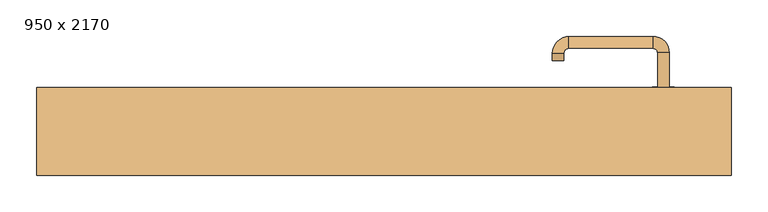
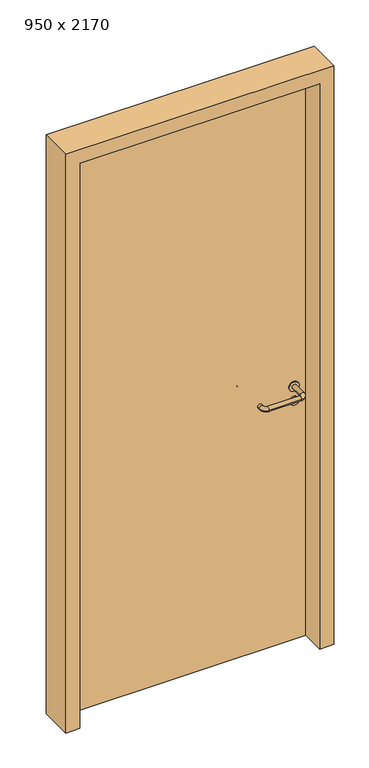
"""IFC4 building model written with IfcOpenShell, lengths in millimetres: door geometry, 950 x 2170."""

from ifc_helpers import new_model, si_unit, point, frame, frame_2d, origin, origin_with_axes, place, context, project, spatial, polyline, circle_curve, ellipse_curve, trimmed, segment, composite_curve, outline, extrude, source, transform, mapped, element, save
from ifc_brep_helpers import plane_surface, cylinder_surface, revolved_surface, advanced_brep


def door_950_x_2170_a7218619(model_context):
    return source(origin(), model_context, "Body", "SolidModel", [
        extrude(outline(composite_curve([segment(trimmed(circle_curve(frame_2d((897.3605726, 382.0)), 15.0), [point((897.3605726, 397.0))], [point((897.3605726, 367.0))], False, "CARTESIAN"), True, "CONTINUOUS"), segment(trimmed(circle_curve(frame_2d((897.3605726, 382.0)), 15.0), [point((897.3605726, 367.0))], [point((897.3605726, 397.0))], False, "CARTESIAN"), True, "CONTINUOUS")], self_intersect=False), holes=[composite_curve([segment(trimmed(circle_curve(frame_2d((892.5833211, 381.9398032)), 2.0), [point((892.5833211, 383.9398032))], [point((892.5833211, 379.9398032))], True, "CARTESIAN"), True, "CONTINUOUS"), segment(polyline([(892.5833211, 379.9398032), (902.5833211, 379.9398032)]), True, "CONTINUOUS"), segment(trimmed(circle_curve(frame_2d((902.5833211, 381.9398032)), 2.0), [point((902.5833211, 379.9398032))], [point((902.5833211, 383.9398032))], True, "CARTESIAN"), True, "CONTINUOUS"), segment(polyline([(902.5833211, 383.9398032), (892.5833211, 383.9398032)]), True, "CONTINUOUS")], self_intersect=False)]), frame((0.0, 108.65, 0.0), z_axis=(0.0, 1.0, 0.0), x_axis=(0.0, 0.0, 1.0)), (0.0, 0.0, 1.0), 6.35),
        extrude(outline(composite_curve([segment(trimmed(circle_curve(frame_2d((950.0, 382.0)), 17.526), [point((950.0, 399.526))], [point((950.0, 364.474))], False, "CARTESIAN"), True, "CONTINUOUS"), segment(trimmed(circle_curve(frame_2d((950.0, 382.0)), 17.526), [point((950.0, 364.474))], [point((950.0, 399.526))], False, "CARTESIAN"), True, "CONTINUOUS")], self_intersect=False)), frame((0.0, 111.825, 0.0), z_axis=(0.0, 1.0, 0.0), x_axis=(0.0, 0.0, 1.0)), (0.0, 0.0, 1.0), 3.175),
        advanced_brep(
        [(390.0, 115.0, 950.0), (374.0, 115.0, 950.0), (374.0, 62.0, 950.0), (390.0, 62.0, 950.0), (367.8578644, 55.8578644, 950.0), (367.8578644, 39.8578644, 950.0), (252.8578644, 55.8578644, 950.0), (252.8578644, 39.8578644, 950.0), (246.008622, 62.7071068, 950.0), (230.008622, 62.7071068, 950.0), (230.008622, 72.7071068, 950.0), (246.008622, 72.7071068, 950.0)],
        [
            (0, 1, circle_curve(frame((382.0, 115.0, 950.0), z_axis=(0.0, 1.0, 0.0), x_axis=(-1.0, 0.0, 0.0)), 8.0)),
            (1, 0, circle_curve(frame((382.0, 115.0, 950.0), z_axis=(0.0, 1.0, 0.0), x_axis=(-1.0, 0.0, 0.0)), 8.0)),
            (1, 2),
            (2, 3, circle_curve(frame((382.0, 62.0, 950.0), z_axis=(0.0, 1.0, 0.0), x_axis=(-1.0, 0.0, 0.0)), 8.0)),
            (3, 0),
            (3, 2, circle_curve(frame((382.0, 62.0, 950.0), z_axis=(0.0, 1.0, 0.0), x_axis=(-1.0, 0.0, 0.0)), 8.0)),
            (4, 5, circle_curve(frame((367.8578644, 47.8578644, 950.0), z_axis=(1.0, 0.0, 0.0), x_axis=(0.0, 1.0, 0.0)), 8.0)),
            (5, 3, circle_curve(frame((367.8578644, 62.0, 950.0), z_axis=(0.0, 0.0, 1.0), x_axis=(1.0, 0.0, 0.0)), 22.1421356)),
            (2, 4, circle_curve(frame((367.8578644, 62.0, 950.0), z_axis=(0.0, 0.0, -1.0), x_axis=(1.0, 0.0, 0.0)), 6.1421356)),
            (5, 4, circle_curve(frame((367.8578644, 47.8578644, 950.0), z_axis=(1.0, 0.0, 0.0), x_axis=(0.0, 1.0, 0.0)), 8.0)),
            (4, 6),
            (6, 7, circle_curve(frame((252.8578644, 47.8578644, 950.0), z_axis=(1.0, 0.0, 0.0), x_axis=(0.0, 1.0, 0.0)), 8.0)),
            (7, 5),
            (7, 6, circle_curve(frame((252.8578644, 47.8578644, 950.0), z_axis=(1.0, 0.0, 0.0), x_axis=(0.0, 1.0, 0.0)), 8.0)),
            (8, 9, circle_curve(frame((238.008622, 62.7071068, 950.0), z_axis=(0.0, -1.0, 0.0), x_axis=(1.0, 0.0, 0.0)), 8.0)),
            (9, 7, circle_curve(frame((252.8578644, 62.7071068, 950.0), z_axis=(0.0, 0.0, 1.0), x_axis=(0.0, -1.0, 0.0)), 22.8492424)),
            (6, 8, circle_curve(frame((252.8578644, 62.7071068, 950.0), z_axis=(0.0, 0.0, -1.0), x_axis=(0.0, -1.0, 0.0)), 6.8492424)),
            (9, 8, circle_curve(frame((238.008622, 62.7071068, 950.0), z_axis=(0.0, -1.0, 0.0), x_axis=(1.0, 0.0, 0.0)), 8.0)),
            (10, 11, circle_curve(frame((238.008622, 72.7071068, 950.0), z_axis=(0.0, 1.0, 0.0), x_axis=(1.0, 0.0, 0.0)), 8.0)),
            (11, 10, circle_curve(frame((238.008622, 72.7071068, 950.0), z_axis=(0.0, 1.0, 0.0), x_axis=(1.0, 0.0, 0.0)), 8.0)),
            (8, 11),
            (10, 9),
        ],
        [
            plane_surface(frame((382.0, 115.0, 0.0), z_axis=(0.0, 1.0, 0.0), x_axis=(0.0, 0.0, 1.0))),
            cylinder_surface(frame((382.0, 115.0, 950.0), z_axis=(0.0, 1.0, 0.0), x_axis=(-1.0, 0.0, 0.0)), 8.0),
            revolved_surface(trimmed(ellipse_curve(frame((382.0, 62.0, 950.0), z_axis=(0.0, -1.0, 0.0), x_axis=(-1.0, 0.0, 0.0)), 8.0, 8.0), [point((390.0, 62.0, 950.0))], [point((374.0, 62.0, 950.0))], True, "CARTESIAN"), (367.8578644, 62.0, 0.0), (0.0, 0.0, 1.0)),
            revolved_surface(trimmed(ellipse_curve(frame((382.0, 62.0, 950.0), z_axis=(0.0, -1.0, 0.0), x_axis=(-1.0, 0.0, 0.0)), 8.0, 8.0), [point((374.0, 62.0, 950.0))], [point((390.0, 62.0, 950.0))], True, "CARTESIAN"), (367.8578644, 62.0, 0.0), (0.0, 0.0, 1.0)),
            cylinder_surface(frame((367.8578644, 47.8578644, 950.0), z_axis=(1.0, 0.0, 0.0), x_axis=(0.0, 1.0, 0.0)), 8.0),
            revolved_surface(trimmed(ellipse_curve(frame((252.8578644, 47.8578644, 950.0), z_axis=(-1.0, 0.0, 0.0), x_axis=(0.0, 1.0, 0.0)), 8.0, 8.0), [point((252.8578644, 39.8578644, 950.0))], [point((252.8578644, 55.8578644, 950.0))], True, "CARTESIAN"), (252.8578644, 62.7071068, 0.0), (0.0, 0.0, 1.0)),
            revolved_surface(trimmed(ellipse_curve(frame((252.8578644, 47.8578644, 950.0), z_axis=(-1.0, 0.0, 0.0), x_axis=(0.0, 1.0, 0.0)), 8.0, 8.0), [point((252.8578644, 55.8578644, 950.0))], [point((252.8578644, 39.8578644, 950.0))], True, "CARTESIAN"), (252.8578644, 62.7071068, 0.0), (0.0, 0.0, 1.0)),
            plane_surface(frame((238.008622, 72.7071068, 0.0), z_axis=(0.0, 1.0, 0.0), x_axis=(0.0, 0.0, 1.0))),
            cylinder_surface(frame((238.008622, 62.7071068, 950.0), z_axis=(0.0, -1.0, 0.0), x_axis=(1.0, 0.0, 0.0)), 8.0),
        ],
        [
            (0, [[1, 2]]),
            (1, [[3, 4, 5, -2]]),
            (1, [[-5, 6, -3, -1]]),
            (2, [[7, 8, -4, 9]]),
            (3, [[10, -9, -6, -8]]),
            (4, [[11, 12, 13, -7]]),
            (4, [[-13, 14, -11, -10]]),
            (5, [[15, 16, -12, 17]]),
            (6, [[18, -17, -14, -16]]),
            (7, [[19, 20]]),
            (8, [[21, -19, 22, -15]]),
            (8, [[-22, -20, -21, -18]]),
        ],
    ),
        extrude(outline(composite_curve([segment(trimmed(circle_curve(frame_2d((0.0, -15.0)), 15.0), [point((0.0, -30.0))], [point((0.0, 0.0))], False, "CARTESIAN"), True, "CONTINUOUS"), segment(trimmed(circle_curve(frame_2d((0.0, -15.0)), 15.0), [point((0.0, 0.0))], [point((0.0, -30.0))], False, "CARTESIAN"), True, "CONTINUOUS")], self_intersect=False), holes=[composite_curve([segment(trimmed(circle_curve(frame_2d((4.7772515, -14.9398032)), 2.0), [point((4.7772515, -16.9398032))], [point((4.7772515, -12.9398032))], True, "CARTESIAN"), True, "CONTINUOUS"), segment(polyline([(4.7772515, -12.9398032), (-5.2227485, -12.9398032)]), True, "CONTINUOUS"), segment(trimmed(circle_curve(frame_2d((-5.2227485, -14.9398032)), 2.0), [point((-5.2227485, -12.9398032))], [point((-5.2227485, -16.9398032))], True, "CARTESIAN"), True, "CONTINUOUS"), segment(polyline([(-5.2227485, -16.9398032), (4.7772515, -16.9398032)]), True, "CONTINUOUS")], self_intersect=False)]), frame((367.0, 145.0, 897.3605726), z_axis=(1.8870575173328306e-12, 1.0, 0.0), x_axis=(0.0, 0.0, -1.0)), (0.0, 0.0, 1.0), 6.35),
        extrude(outline(composite_curve([segment(trimmed(circle_curve(frame_2d((0.0, -17.526)), 17.526), [point((0.0, -35.052))], [point((0.0, 0.0))], False, "CARTESIAN"), True, "CONTINUOUS"), segment(trimmed(circle_curve(frame_2d((0.0, -17.526)), 17.526), [point((0.0, 0.0))], [point((0.0, -35.052))], False, "CARTESIAN"), True, "CONTINUOUS")], self_intersect=False)), frame((364.474, 145.0, 950.0), z_axis=(1.8870575173328306e-12, 1.0, 0.0), x_axis=(0.0, 0.0, -1.0)), (0.0, 0.0, 1.0), 3.175),
        advanced_brep(
        [(390.0, 145.0, 950.0), (374.0, 145.0, 950.0), (390.0, 198.0, 950.0), (374.0, 198.0, 950.0), (367.8578644, 204.1421356, 950.0), (367.8578644, 220.1421356, 950.0), (252.8578644, 220.1421356, 950.0), (252.8578644, 204.1421356, 950.0), (246.008622, 197.2928932, 950.0), (230.008622, 197.2928932, 950.0), (230.008622, 187.2928932, 950.0), (246.008622, 187.2928932, 950.0)],
        [
            (0, 1, circle_curve(frame((382.0, 145.0, 950.0), z_axis=(-1.888672253512351e-12, -1.0, 0.0), x_axis=(-1.0, 1.888672253512351e-12, 0.0)), 8.0)),
            (1, 0, circle_curve(frame((382.0, 145.0, 950.0), z_axis=(-1.888672253512351e-12, -1.0, 0.0), x_axis=(-1.0, 1.888672253512351e-12, 0.0)), 8.0)),
            (0, 2),
            (2, 3, circle_curve(frame((382.0, 198.0, 950.0), z_axis=(-1.888672253512351e-12, -1.0, 0.0), x_axis=(-1.0, 1.888672253512351e-12, 0.0)), 8.0)),
            (3, 1),
            (3, 2, circle_curve(frame((382.0, 198.0, 950.0), z_axis=(-1.888672253512351e-12, -1.0, 0.0), x_axis=(-1.0, 1.888672253512351e-12, 0.0)), 8.0)),
            (4, 3, circle_curve(frame((367.8578644, 198.0, 950.0), z_axis=(0.0, 0.0, -1.0), x_axis=(1.0, -1.880717803715015e-12, 0.0)), 6.1421356)),
            (2, 5, circle_curve(frame((367.8578644, 198.0, 950.0), z_axis=(0.0, 0.0, 1.0), x_axis=(1.0, -1.880717803715015e-12, 0.0)), 22.1421356)),
            (5, 4, circle_curve(frame((367.8578644, 212.1421356, 950.0), z_axis=(1.0, -1.913702061528922e-12, 0.0), x_axis=(-1.913702061528922e-12, -1.0, 0.0)), 8.0)),
            (4, 5, circle_curve(frame((367.8578644, 212.1421356, 950.0), z_axis=(1.0, -1.913702061528922e-12, 0.0), x_axis=(-1.913702061528922e-12, -1.0, 0.0)), 8.0)),
            (5, 6),
            (6, 7, circle_curve(frame((252.8578644, 212.1421356, 950.0), z_axis=(1.0, -1.913719828541269e-12, 0.0), x_axis=(-1.913719828541269e-12, -1.0, 0.0)), 8.0)),
            (7, 4),
            (7, 6, circle_curve(frame((252.8578644, 212.1421356, 950.0), z_axis=(1.0, -1.913719828541269e-12, 0.0), x_axis=(-1.913719828541269e-12, -1.0, 0.0)), 8.0)),
            (8, 7, circle_curve(frame((252.8578644, 197.2928932, 950.0), z_axis=(0.0, 0.0, -1.0), x_axis=(1.9120873253494017e-12, 1.0, 0.0)), 6.8492424)),
            (6, 9, circle_curve(frame((252.8578644, 197.2928932, 950.0), z_axis=(0.0, 0.0, 1.0), x_axis=(1.9120873253494017e-12, 1.0, 0.0)), 22.8492424)),
            (9, 8, circle_curve(frame((238.008622, 197.2928932, 950.0), z_axis=(1.890448610351751e-12, 1.0, 0.0), x_axis=(1.0, -1.890448610351751e-12, 0.0)), 8.0)),
            (8, 9, circle_curve(frame((238.008622, 197.2928932, 950.0), z_axis=(1.8888942981172756e-12, 1.0, 0.0), x_axis=(1.0, -1.8888942981172756e-12, 0.0)), 8.0)),
            (10, 11, circle_curve(frame((238.008622, 187.2928932, 950.0), z_axis=(-1.8903642334018795e-12, -1.0, 0.0), x_axis=(1.0, -1.8903642334018795e-12, 0.0)), 8.0)),
            (11, 10, circle_curve(frame((238.008622, 187.2928932, 950.0), z_axis=(-1.8903642334018795e-12, -1.0, 0.0), x_axis=(1.0, -1.8903642334018795e-12, 0.0)), 8.0)),
            (9, 10),
            (11, 8),
        ],
        [
            plane_surface(frame((382.0, 145.0, 0.0), z_axis=(-1.8870575173328306e-12, -1.0, 0.0), x_axis=(0.0, 0.0, 1.0))),
            cylinder_surface(frame((382.0, 145.0, 950.0), z_axis=(-1.888672253512351e-12, -1.0, 0.0), x_axis=(-1.0, 1.888672253512351e-12, 0.0)), 8.0),
            revolved_surface(trimmed(ellipse_curve(frame((382.0, 198.0, 950.0), z_axis=(-1.8823325398945356e-12, -1.0, 0.0), x_axis=(-1.0, 1.8823325398945356e-12, 0.0)), 8.0, 8.0), [point((390.0, 198.0, 950.0))], [point((374.0, 198.0, 950.0))], True, "CARTESIAN"), (367.8578644, 198.0, 0.0), (0.0, 0.0, 1.0)),
            revolved_surface(trimmed(ellipse_curve(frame((382.0, 198.0, 950.0), z_axis=(-1.8823325398945356e-12, -1.0, 0.0), x_axis=(-1.0, 1.8823325398945356e-12, 0.0)), 8.0, 8.0), [point((374.0, 198.0, 950.0))], [point((390.0, 198.0, 950.0))], True, "CARTESIAN"), (367.8578644, 198.0, 0.0), (0.0, 0.0, 1.0)),
            cylinder_surface(frame((367.8578644, 212.1421356, 950.0), z_axis=(1.0, -1.913719828541269e-12, 0.0), x_axis=(-1.913719828541269e-12, -1.0, 0.0)), 8.0),
            revolved_surface(trimmed(ellipse_curve(frame((252.8578644, 212.1421356, 950.0), z_axis=(1.0, -1.913702061528922e-12, 0.0), x_axis=(-1.913702061528922e-12, -1.0, 0.0)), 8.0, 8.0), [point((252.8578644, 220.1421356, 950.0))], [point((252.8578644, 204.1421356, 950.0))], True, "CARTESIAN"), (252.8578644, 197.2928932, 0.0), (0.0, 0.0, 1.0)),
            revolved_surface(trimmed(ellipse_curve(frame((252.8578644, 212.1421356, 950.0), z_axis=(1.0, -1.913702061528922e-12, 0.0), x_axis=(-1.913702061528922e-12, -1.0, 0.0)), 8.0, 8.0), [point((252.8578644, 204.1421356, 950.0))], [point((252.8578644, 220.1421356, 950.0))], True, "CARTESIAN"), (252.8578644, 197.2928932, 0.0), (0.0, 0.0, 1.0)),
            plane_surface(frame((238.008622, 187.2928932, 0.0), z_axis=(-1.8887494972223595e-12, -1.0, 0.0), x_axis=(0.0, 0.0, 1.0))),
            cylinder_surface(frame((238.008622, 197.2928932, 950.0), z_axis=(1.8903642334018795e-12, 1.0, 0.0), x_axis=(1.0, -1.8903642334018795e-12, 0.0)), 8.0),
        ],
        [
            (0, [[1, 2]]),
            (1, [[-1, 3, 4, 5]]),
            (1, [[-2, -5, 6, -3]]),
            (2, [[7, -4, 8, 9]]),
            (3, [[-8, -6, -7, 10]]),
            (4, [[-9, 11, 12, 13]]),
            (4, [[-10, -13, 14, -11]]),
            (5, [[15, -12, 16, 17]]),
            (6, [[-16, -14, -15, 18]]),
            (7, [[19, 20]]),
            (8, [[-17, 21, -20, 22]]),
            (8, [[-18, -22, -19, -21]]),
        ],
    ),
        extrude(outline(polyline([(2120.0, 425.0), (0.0, 425.0), (0.0, 475.0), (2170.0, 475.0), (2170.0, -475.0), (0.0, -475.0), (0.0, -425.0), (2120.0, -425.0), (2120.0, 425.0)])), frame((0.0, 30.0, 0.0), z_axis=(0.0, 1.0, 0.0), x_axis=(0.0, 0.0, 1.0)), (0.0, 0.0, 1.0), 120.0),
        extrude(outline(polyline([(-425.0, 145.0), (425.0, 145.0), (425.0, 115.0), (-425.0, 115.0), (-425.0, 145.0)])), origin_with_axes(), (0.0, 0.0, 1.0), 2120.0),
    ])


if __name__ == "__main__":
    model = new_model("IFC4")
    model_context = context("Model", 3, world=origin())
    ifc_project = project(units=[si_unit("LENGTHUNIT", "METRE", prefix="MILLI")], contexts=[model_context])
    site = spatial("IfcSite", under=ifc_project)
    building = spatial("IfcBuilding", under=site)
    placement = place(None, origin())
    door_950_x_2170_shape = door_950_x_2170_a7218619(model_context)
    element("IfcDoor", 1, ObjectType="950 x 2170", at=placement, inside=building, context=model_context, shape_type="MappedRepresentation", body=[
        mapped(door_950_x_2170_shape, transform((0.0, 0.0, 0.0), x_axis=(1.0, 0.0, 0.0), y_axis=(0.0, 1.0, 0.0), z_axis=(0.0, 0.0, 1.0))),
    ])
    save(model, "model.ifc")
